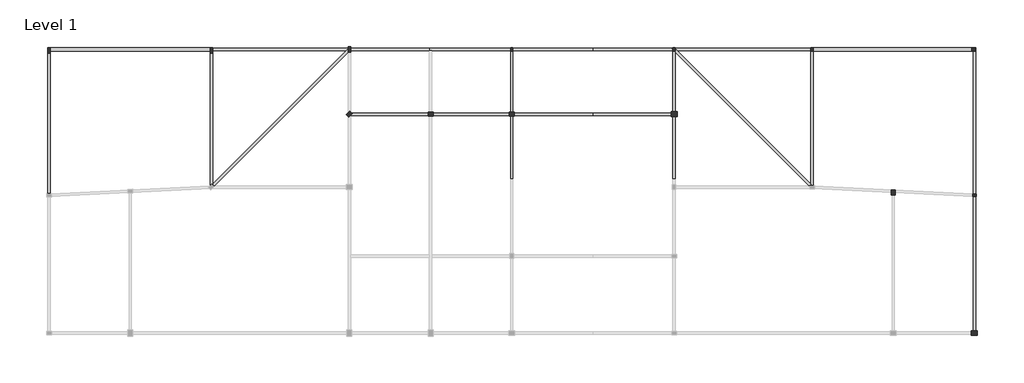
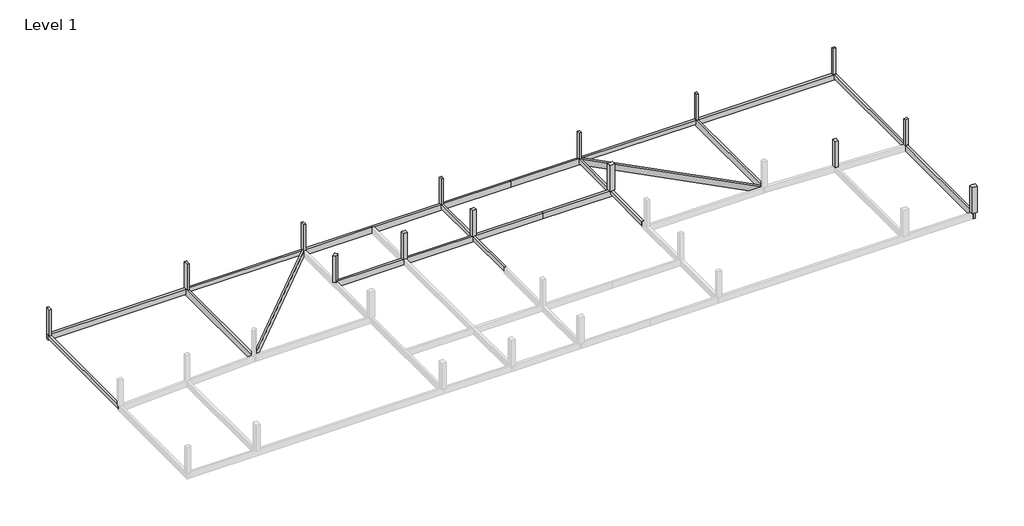
# One storey, part 2 of 2: 21 beams, 14 columns.
"""IFC4 building model written with IfcOpenShell, lengths in millimetres."""

from ifc_helpers import new_model, si_unit, frame, origin, place, context, project, spatial, polyline, outline, extrude, faceted_brep, element, save

model = new_model("IFC4")

# Units and contexts
model_context = context("Model", 3, world=origin())
ifc_project = project(units=[si_unit("LENGTHUNIT", "METRE", prefix="MILLI")], contexts=[model_context])

# Site, building, storey
site = spatial("IfcSite", under=ifc_project)
building = spatial("IfcBuilding", under=site)
storey = spatial("IfcBuildingStorey", under=building, Name="Level 1", Elevation=0.0)

# Beams
placement = place(None, origin())
element("IfcBeam", 1, ObjectType="M_Concrete-Rectangular Beam : 300 x 600mm", at=placement, inside=storey, context=model_context, shape_type="Brep", body=[
    faceted_brep([(-15172.6221164, 9758.1174774, 0.0), (-15472.6221164, 9758.1174774, 0.0), (-15472.6221164, 9458.1174774, 0.0), (-15472.6221164, -7899.1951396, 0.0), (-15172.6221164, -7884.1951396, 0.0), (-15172.6221164, 9458.1174774, 0.0), (-15472.6221164, 9758.1174774, -600.0), (-15472.6221164, -7899.1951396, -600.0), (-15172.6221164, 9758.1174774, -600.0), (-15172.6221164, -7884.1951396, -600.0)], [[[0, 1, 2, 3, 4, 5]], [[1, 6, 7, 3, 2]], [[6, 8, 9, 7]], [[8, 0, 5, 4, 9]], [[1, 0, 8, 6]], [[4, 3, 7, 9]]]),
])
element("IfcBeam", 2, ObjectType="M_Concrete-Rectangular Beam : 300 x 600mm", at=placement, inside=storey, context=model_context, shape_type="SweptSolid", body=[
    extrude(outline(polyline([(4827.3778836, 9808.1174774), (4827.3778836, 10108.1174774), (21527.3778836, 10108.1174774), (21527.3778836, 10020.2495118), (21315.2458493, 9808.1174774), (4827.3778836, 9808.1174774)])), frame((0.0, 0.0, -600.0), z_axis=(0.0, 0.0, 1.0), x_axis=(1.0, 0.0, 0.0)), (0.0, 0.0, 1.0), 600.0),
])
element("IfcBeam", 3, ObjectType="M_Concrete-Rectangular Beam : 300 x 600mm", at=placement, inside=storey, context=model_context, shape_type="Brep", body=[
    faceted_brep([(41527.3778836, -6041.8825226, 0.0), (41827.3778836, -6041.8825226, 0.0), (41827.3778836, 1808.1174774, 0.0), (41827.3778836, 2108.1174774, 0.0), (41827.3778836, 9733.1174774, 0.0), (41827.3778836, 9808.1174774, 0.0), (41527.3778836, 9808.1174774, 0.0), (41527.3778836, 9733.1174774, 0.0), (41527.3778836, 2108.1174774, 0.0), (41527.3778836, 1808.1174774, 0.0), (41827.3778836, -6041.8825226, -600.0), (41827.3778836, 1808.1174774, -600.0), (41827.3778836, 2108.1174774, -600.0), (41827.3778836, 9808.1174774, -600.0), (41527.3778836, -6041.8825226, -600.0), (41527.3778836, 1808.1174774, -600.0), (41527.3778836, 2108.1174774, -600.0), (41527.3778836, 9808.1174774, -600.0)], [[[0, 1, 2, 3, 4, 5, 6, 7, 8, 9]], [[1, 10, 11, 12, 13, 5, 4, 3, 2]], [[10, 14, 15, 16, 17, 13, 12, 11]], [[14, 0, 9, 8, 7, 6, 17, 16, 15]], [[6, 5, 13, 17]], [[0, 14, 10, 1]]]),
])
element("IfcBeam", 4, ObjectType="M_Concrete-Rectangular Beam : 300 x 600mm", at=placement, inside=storey, context=model_context, shape_type="SweptSolid", body=[
    extrude(outline(polyline([(98527.3778836, 9758.1174774), (98827.3778836, 9758.1174774), (98827.3778836, -7899.1951396), (98527.3778836, -7884.1951396), (98527.3778836, 9758.1174774)])), frame((0.0, 0.0, -600.0), z_axis=(0.0, 0.0, 1.0), x_axis=(1.0, 0.0, 0.0)), (0.0, 0.0, 1.0), 600.0),
])
element("IfcBeam", 5, ObjectType="M_Concrete-Rectangular Beam : 300 x 600mm", at=placement, inside=storey, context=model_context, shape_type="SweptSolid", body=[
    extrude(outline(polyline([(78527.3778836, 10108.1174774), (78527.3778836, 9808.1174774), (62039.509918, 9808.1174774), (61739.509918, 10108.1174774), (78527.3778836, 10108.1174774)])), frame((0.0, 0.0, -600.0), z_axis=(0.0, 0.0, 1.0), x_axis=(1.0, 0.0, 0.0)), (0.0, 0.0, 1.0), 600.0),
])
element("IfcBeam", 6, ObjectType="M_Concrete-Rectangular Beam : 300 x 600mm", at=placement, inside=storey, context=model_context, shape_type="Brep", body=[
    faceted_brep([(61527.3778836, -6041.8825226, 0.0), (61827.3778836, -6041.8825226, 0.0), (61827.3778836, 9595.9854431, 0.0), (61615.2458493, 9808.1174774, 0.0), (61527.3778836, 9808.1174774, 0.0), (61527.3778836, 9733.1174774, 0.0), (61527.3778836, 2108.1174774, 0.0), (61527.3778836, 1808.1174774, 0.0), (61827.3778836, -6041.8825226, -600.0), (61827.3778836, 9595.9854431, -600.0), (61527.3778836, -6041.8825226, -600.0), (61527.3778836, 1808.1174774, -600.0), (61527.3778836, 2108.1174774, -600.0), (61527.3778836, 9808.1174774, -600.0), (61615.2458493, 9808.1174774, -600.0)], [[[0, 1, 2, 3, 4, 5, 6, 7]], [[1, 8, 9, 2]], [[8, 10, 11, 12, 13, 14, 9]], [[10, 0, 7, 6, 5, 4, 13, 12, 11]], [[13, 4, 3, 14]], [[3, 2, 9, 14]], [[0, 10, 8, 1]]]),
])
element("IfcBeam", 7, ObjectType="M_Concrete-Rectangular Beam : 300 x 900mm", at=placement, inside=storey, context=model_context, shape_type="Brep", body=[
    faceted_brep([(4527.3778836, -7104.0145569, 0.0), (4827.3778836, -7104.0145569, 0.0), (4827.3778836, -6679.7504882, 0.0), (4827.3778836, 9458.1174774, 0.0), (4827.3778836, 9808.1174774, 0.0), (4827.3778836, 10108.1174774, 0.0), (4827.3778836, 10158.1174774, 0.0), (4527.3778836, 10158.1174774, 0.0), (4527.3778836, 9758.1174774, 0.0), (4527.3778836, 9458.1174774, 0.0), (4527.3778836, -6899.1951396, 0.0), (4527.3778836, -7104.0145569, -900.0), (4527.3778836, 10158.1174774, -800.0), (4527.3778836, 10158.1174774, -900.0), (4527.3778836, -6899.1951396, -900.0), (4827.3778836, -7104.0145569, -900.0), (4827.3778836, 10158.1174774, -900.0), (4827.3778836, -6679.7504882, -900.0)], [[[0, 1, 2, 3, 4, 5, 6, 7, 8, 9, 10]], [[11, 0, 10, 9, 8, 7, 12, 13, 14]], [[15, 11, 14, 13, 16, 17]], [[1, 15, 17, 16, 6, 5, 4, 3, 2]], [[1, 0, 11, 15]], [[7, 6, 16, 13, 12]]]),
])
element("IfcBeam", 8, ObjectType="M_Concrete-Rectangular Beam : 300 x 900mm", at=placement, inside=storey, context=model_context, shape_type="Brep", body=[
    faceted_brep([(21827.3778836, 9895.9854431, 0.0), (21615.2458493, 10108.1174774, 0.0), (21527.3778836, 10020.2495118, 0.0), (21315.2458493, 9808.1174774, 0.0), (4827.3778836, -6679.7504882, 0.0), (4827.3778836, -7104.0145569, 0.0), (5039.509918, -6891.8825226, 0.0), (21527.3778836, 9595.9854431, 0.0), (21827.3778836, 9895.9854431, -900.0), (4827.3778836, -7104.0145569, -900.0), (5039.509918, -6891.8825226, -900.0), (21527.3778836, 9595.9854431, -900.0), (21615.2458493, 10108.1174774, -900.0), (4827.3778836, -6679.7504882, -900.0), (21527.3778836, 10020.2495118, -900.0)], [[[0, 1, 2, 3, 4, 5, 6, 7]], [[8, 0, 7, 6, 5, 9, 10, 11]], [[12, 8, 11, 10, 9, 13, 14]], [[1, 12, 14, 13, 4, 3, 2]], [[5, 4, 13, 9]], [[1, 0, 8, 12]]]),
])
element("IfcBeam", 9, ObjectType="M_Concrete-Rectangular Beam : 300 x 900mm", at=placement, inside=storey, context=model_context, shape_type="Brep", body=[
    faceted_brep([(31527.3778836, 10108.1174774, 0.0), (31527.3778836, 9808.1174774, 0.0), (31827.3778836, 9808.1174774, 0.0), (41527.3778836, 9808.1174774, 0.0), (41827.3778836, 9808.1174774, 0.0), (41827.3778836, 10108.1174774, 0.0), (31527.3778836, 9808.1174774, -900.0), (31827.3778836, 9808.1174774, -900.0), (41827.3778836, 9808.1174774, -900.0), (41827.3778836, 9808.1174774, -600.0), (31527.3778836, 10108.1174774, -900.0), (41827.3778836, 10108.1174774, -900.0)], [[[0, 1, 2, 3, 4, 5]], [[1, 6, 7, 8, 9, 4, 3, 2]], [[6, 10, 11, 8, 7]], [[10, 0, 5, 11]], [[1, 0, 10, 6]], [[5, 4, 9, 8, 11]]]),
])
element("IfcBeam", 10, ObjectType="M_Concrete-Rectangular Beam : 300 x 900mm", at=placement, inside=storey, context=model_context, shape_type="SweptSolid", body=[
    extrude(outline(polyline([(-600.0, 41827.3778836), (-600.0, 41527.3778836), (0.0, 41527.3778836), (0.0, 31827.3778836), (-900.0, 31827.3778836), (-900.0, 41827.3778836), (-600.0, 41827.3778836)])), frame((0.0, 1808.1174774, 0.0), z_axis=(0.0, 1.0, 0.0), x_axis=(0.0, 0.0, 1.0)), (0.0, 0.0, 1.0), 300.0),
])
element("IfcBeam", 11, ObjectType="M_Concrete-Rectangular Beam : 300 x 900mm", at=placement, inside=storey, context=model_context, shape_type="Brep", body=[
    faceted_brep([(21527.3778836, 10108.1174774, 0.0), (21527.3778836, 10020.2495118, 0.0), (21615.2458493, 10108.1174774, 0.0), (31527.3778836, 9808.1174774, -900.0), (31527.3778836, 9808.1174774, 0.0), (21827.3778836, 9808.1174774, 0.0), (21827.3778836, 9808.1174774, -900.0), (21527.3778836, 10020.2495118, -900.0), (21527.3778836, 10108.1174774, -900.0), (21615.2458493, 10108.1174774, -900.0), (31527.3778836, 10108.1174774, 0.0), (31527.3778836, 10108.1174774, -900.0), (21527.3778836, 10108.1174774, -600.0), (21827.3778836, 9895.9854431, 0.0), (21827.3778836, 9895.9854431, -900.0), (21527.3778836, 10020.2495118, -600.0)], [[[0, 1, 2]], [[3, 4, 5, 6]], [[7, 8, 9]], [[10, 11, 9, 8, 12, 0, 2]], [[10, 4, 3, 11]], [[6, 5, 13, 14]], [[2, 9, 14, 13]], [[0, 12, 8, 7, 15, 1]], [[9, 2, 1, 15, 7]], [[4, 10, 2, 13, 5]], [[11, 3, 6, 14, 9]]]),
])
element("IfcBeam", 12, ObjectType="M_Concrete-Rectangular Beam : 300 x 900mm", at=placement, inside=storey, context=model_context, shape_type="SweptSolid", body=[
    extrude(outline(polyline([(31527.3778836, 2108.1174774), (31527.3778836, 1808.1174774), (21827.3778836, 1808.1174774), (21827.3778836, 2108.1174774), (31527.3778836, 2108.1174774)])), frame((0.0, 0.0, -900.0), z_axis=(0.0, 0.0, 1.0), x_axis=(1.0, 0.0, 0.0)), (0.0, 0.0, 1.0), 900.0),
])
element("IfcBeam", 13, ObjectType="M_Concrete-Rectangular Beam : 300 x 900mm", at=placement, inside=storey, context=model_context, shape_type="Brep", body=[
    faceted_brep([(78527.3778836, -7104.0145569, 0.0), (78827.3778836, -7104.0145569, 0.0), (78827.3778836, -6899.1951396, 0.0), (78827.3778836, 9733.1174774, 0.0), (78827.3778836, 9758.1174774, 0.0), (78827.3778836, 10158.1174774, 0.0), (78527.3778836, 10158.1174774, 0.0), (78527.3778836, 10108.1174774, 0.0), (78527.3778836, 9808.1174774, 0.0), (78527.3778836, 9733.1174774, 0.0), (78527.3778836, -6679.7504882, 0.0), (78827.3778836, -7104.0145569, -900.0), (78827.3778836, -6899.1951396, -900.0), (78827.3778836, 10158.1174774, -900.0), (78827.3778836, 10158.1174774, -800.0), (78527.3778836, -7104.0145569, -900.0), (78527.3778836, -6679.7504882, -900.0), (78527.3778836, 10158.1174774, -900.0)], [[[0, 1, 2, 3, 4, 5, 6, 7, 8, 9, 10]], [[1, 11, 12, 13, 14, 5, 4, 3, 2]], [[11, 15, 16, 17, 13, 12]], [[15, 0, 10, 9, 8, 7, 6, 17, 16]], [[6, 5, 14, 13, 17]], [[1, 0, 15, 11]]]),
])
element("IfcBeam", 14, ObjectType="M_Concrete-Rectangular Beam : 300 x 900mm", at=placement, inside=storey, context=model_context, shape_type="Brep", body=[
    faceted_brep([(61739.509918, 10108.1174774, 0.0), (61315.2458493, 10108.1174774, 0.0), (61615.2458493, 9808.1174774, 0.0), (61827.3778836, 9595.9854431, 0.0), (78315.2458493, -6891.8825226, 0.0), (78527.3778836, -7104.0145569, 0.0), (78527.3778836, -6679.7504882, 0.0), (62039.509918, 9808.1174774, 0.0), (61315.2458493, 10108.1174774, -900.0), (61615.2458493, 9808.1174774, -900.0), (78315.2458493, -6891.8825226, -900.0), (78527.3778836, -7104.0145569, -900.0), (61739.509918, 10108.1174774, -900.0), (78527.3778836, -6679.7504882, -900.0), (61739.509918, 10108.1174774, -600.0)], [[[0, 1, 2, 3, 4, 5, 6, 7]], [[1, 8, 9, 10, 11, 5, 4, 3, 2]], [[8, 12, 13, 11, 10, 9]], [[12, 14, 0, 7, 6, 13]], [[6, 5, 11, 13]], [[1, 0, 14, 12, 8]]]),
])
element("IfcBeam", 15, ObjectType="M_Concrete-Rectangular Beam : 300 x 900mm", at=placement, inside=storey, context=model_context, shape_type="Brep", body=[
    faceted_brep([(98527.3778836, -25191.8825226, 0.0), (98827.3778836, -25191.8825226, 0.0), (98827.3778836, -8199.5699055, 0.0), (98527.3778836, -8184.5699055, 0.0), (98527.3778836, -24891.8825226, 0.0), (98827.3778836, -25191.8825226, -900.0), (98827.3778836, -8199.5699055, -900.0), (98527.3778836, -25191.8825226, -900.0), (98527.3778836, -24891.8825226, -900.0), (98527.3778836, -8184.5699055, -900.0)], [[[0, 1, 2, 3, 4]], [[1, 5, 6, 2]], [[5, 7, 8, 9, 6]], [[7, 0, 4, 3, 9, 8]], [[3, 2, 6, 9]], [[1, 0, 7, 5]]]),
])
element("IfcBeam", 16, ObjectType="M_Concrete-Rectangular Beam : 300 x 900mm", at=placement, inside=storey, context=model_context, shape_type="SweptSolid", body=[
    extrude(outline(polyline([(51677.3778836, 10108.1174774), (51677.3778836, 9808.1174774), (41827.3778836, 9808.1174774), (41827.3778836, 10108.1174774), (51677.3778836, 10108.1174774)])), frame((0.0, 0.0, -900.0), z_axis=(0.0, 0.0, 1.0), x_axis=(1.0, 0.0, 0.0)), (0.0, 0.0, 1.0), 900.0),
])
element("IfcBeam", 17, ObjectType="M_Concrete-Rectangular Beam : 300 x 900mm", at=placement, inside=storey, context=model_context, shape_type="Brep", body=[
    faceted_brep([(41827.3778836, 2108.1174774, 0.0), (41827.3778836, 1808.1174774, 0.0), (51677.3778836, 1808.1174774, 0.0), (51677.3778836, 2108.1174774, 0.0), (41827.3778836, 1808.1174774, -600.0), (41827.3778836, 1808.1174774, -900.0), (51677.3778836, 1808.1174774, -900.0), (51677.3778836, 2108.1174774, -900.0), (41827.3778836, 2108.1174774, -900.0), (41827.3778836, 2108.1174774, -600.0)], [[[0, 1, 2, 3]], [[1, 4, 5, 6, 2]], [[7, 6, 5, 8]], [[8, 9, 0, 3, 7]], [[1, 0, 9, 8, 5, 4]], [[3, 2, 6, 7]]]),
])
element("IfcBeam", 18, ObjectType="M_Concrete-Rectangular Beam : 300 x 900mm", at=placement, inside=storey, context=model_context, shape_type="Brep", body=[
    faceted_brep([(51677.3778836, 10108.1174774, 0.0), (51677.3778836, 9808.1174774, 0.0), (61527.3778836, 9808.1174774, 0.0), (61615.2458493, 9808.1174774, 0.0), (61315.2458493, 10108.1174774, 0.0), (51677.3778836, 9808.1174774, -900.0), (61615.2458493, 9808.1174774, -900.0), (61615.2458493, 9808.1174774, -600.0), (51677.3778836, 10108.1174774, -900.0), (61315.2458493, 10108.1174774, -900.0)], [[[0, 1, 2, 3, 4]], [[1, 5, 6, 7, 3, 2]], [[5, 8, 9, 6]], [[8, 0, 4, 9]], [[4, 3, 7, 6, 9]], [[0, 8, 5, 1]]]),
])
element("IfcBeam", 19, ObjectType="M_Concrete-Rectangular Beam : 300 x 900mm", at=placement, inside=storey, context=model_context, shape_type="SweptSolid", body=[
    extrude(outline(polyline([(-900.0, 51677.3778836), (-900.0, 61677.3778836), (-600.0, 61677.3778836), (-600.0, 61527.3778836), (0.0, 61527.3778836), (0.0, 51677.3778836), (-900.0, 51677.3778836)])), frame((0.0, 1808.1174774, 0.0), z_axis=(0.0, 1.0, 0.0), x_axis=(0.0, 0.0, 1.0)), (0.0, 0.0, 1.0), 300.0),
])
element("IfcBeam", 20, ObjectType="M_Concrete-Rectangular Beam : 400 x 800mm", at=placement, inside=storey, context=model_context, shape_type="Brep", body=[
    faceted_brep([(-15472.6221164, 10158.1174774, 0.0), (-15472.6221164, 9758.1174774, 0.0), (-15172.6221164, 9758.1174774, 0.0), (4527.3778836, 9758.1174774, 0.0), (4527.3778836, 10158.1174774, 0.0), (-15172.6221164, 10158.1174774, 0.0), (-15472.6221164, 9758.1174774, -600.0), (-15472.6221164, 9758.1174774, -800.0), (4527.3778836, 9758.1174774, -800.0), (-15472.6221164, 10158.1174774, -800.0), (4527.3778836, 10158.1174774, -800.0)], [[[0, 1, 2, 3, 4, 5]], [[1, 6, 7, 8, 3, 2]], [[7, 9, 10, 8]], [[9, 0, 5, 4, 10]], [[4, 3, 8, 10]], [[1, 0, 9, 7, 6]]]),
])
element("IfcBeam", 21, ObjectType="M_Concrete-Rectangular Beam : 400 x 800mm", at=placement, inside=storey, context=model_context, shape_type="Brep", body=[
    faceted_brep([(98827.3778836, 9758.1174774, 0.0), (98827.3778836, 10158.1174774, 0.0), (78827.3778836, 10158.1174774, 0.0), (78827.3778836, 9758.1174774, 0.0), (98527.3778836, 9758.1174774, 0.0), (98827.3778836, 9758.1174774, -800.0), (98827.3778836, 9758.1174774, -600.0), (78827.3778836, 9758.1174774, -800.0), (98827.3778836, 10158.1174774, -800.0), (78827.3778836, 10158.1174774, -800.0)], [[[0, 1, 2, 3, 4]], [[5, 6, 0, 4, 3, 7]], [[8, 5, 7, 9]], [[1, 8, 9, 2]], [[3, 2, 9, 7]], [[1, 0, 6, 5, 8]]]),
])

# Columns
element("IfcColumn", 22, ObjectType="M_Concrete-Rectangular-Column : 300 x 450mm", at=placement, inside=storey, context=model_context, shape_type="Brep", body=[
    faceted_brep([(41827.3778836, 10183.1174774, 0.0), (41827.3778836, 10108.1174774, 0.0), (41827.3778836, 9808.1174774, 0.0), (41827.3778836, 9733.1174774, 0.0), (41527.3778836, 9733.1174774, 0.0), (41527.3778836, 9808.1174774, 0.0), (41527.3778836, 10183.1174774, 0.0), (41827.3778836, 10183.1174774, 4000.0), (41827.3778836, 10108.1174774, 4000.0), (41827.3778836, 9808.1174774, 4000.0), (41827.3778836, 9733.1174774, 4000.0), (41827.3778836, 9733.1174774, 3400.0), (41527.3778836, 9733.1174774, 4000.0), (41527.3778836, 9733.1174774, 3400.0), (41527.3778836, 9808.1174774, 4000.0), (41527.3778836, 10108.1174774, 4000.0), (41527.3778836, 10183.1174774, 4000.0)], [[[0, 1, 2, 3, 4, 5, 6]], [[7, 8, 9, 10, 11, 3, 2, 1, 0]], [[10, 12, 13, 4, 3, 11]], [[12, 14, 15, 16, 6, 5, 4, 13]], [[16, 7, 0, 6]], [[7, 16, 15, 14, 12, 10, 9, 8]]]),
])
element("IfcColumn", 23, ObjectType="M_Concrete-Rectangular-Column : 300 x 450mm", at=placement, inside=storey, context=model_context, shape_type="Brep", body=[
    faceted_brep([(61827.3778836, 10183.1174774, 0.0), (61827.3778836, 9733.1174774, 0.0), (61527.3778836, 9733.1174774, 0.0), (61527.3778836, 9808.1174774, 0.0), (61527.3778836, 10183.1174774, 0.0), (61827.3778836, 10183.1174774, 4000.0), (61827.3778836, 10108.1174774, 4000.0), (61827.3778836, 10020.2495118, 4000.0), (61827.3778836, 9733.1174774, 4000.0), (61827.3778836, 9733.1174774, 3100.0), (61690.2458493, 9733.1174774, 4000.0), (61527.3778836, 9733.1174774, 4000.0), (61527.3778836, 9733.1174774, 3400.0), (61527.3778836, 9808.1174774, 4000.0), (61527.3778836, 9895.9854431, 4000.0), (61527.3778836, 10108.1174774, 4000.0), (61527.3778836, 10183.1174774, 4000.0)], [[[0, 1, 2, 3, 4]], [[5, 6, 7, 8, 9, 1, 0]], [[8, 10, 11, 12, 2, 1, 9]], [[11, 13, 14, 15, 16, 4, 3, 2, 12]], [[16, 5, 0, 4]], [[5, 16, 15, 14, 13, 11, 10, 8, 7, 6]]]),
])
element("IfcColumn", 24, ObjectType="M_Concrete-Rectangular-Column : 300 x 450mm", at=placement, inside=storey, context=model_context, shape_type="Brep", body=[
    faceted_brep([(78827.3778836, 10183.1174774, 0.0), (78827.3778836, 10158.1174774, 0.0), (78827.3778836, 9733.1174774, 0.0), (78527.3778836, 9733.1174774, 0.0), (78527.3778836, 10158.1174774, 0.0), (78527.3778836, 10183.1174774, 0.0), (78827.3778836, 10183.1174774, 4000.0), (78827.3778836, 10158.1174774, 4000.0), (78827.3778836, 9758.1174774, 4000.0), (78827.3778836, 9733.1174774, 4000.0), (78827.3778836, 9733.1174774, 3100.0), (78527.3778836, 9733.1174774, 4000.0), (78527.3778836, 9733.1174774, 3100.0), (78527.3778836, 9808.1174774, 4000.0), (78527.3778836, 10108.1174774, 4000.0), (78527.3778836, 10183.1174774, 4000.0)], [[[0, 1, 2, 3, 4, 5]], [[6, 7, 8, 9, 10, 2, 1, 0]], [[9, 11, 12, 3, 2, 10]], [[11, 13, 14, 15, 5, 4, 3, 12]], [[15, 6, 0, 5]], [[6, 15, 14, 13, 11, 9, 8, 7]]]),
])
element("IfcColumn", 25, ObjectType="M_Concrete-Rectangular-Column : 300 x 450mm", at=placement, inside=storey, context=model_context, shape_type="Brep", body=[
    faceted_brep([(98352.3778836, 10108.1174774, 0.0), (98802.3778836, 10108.1174774, 0.0), (98802.3778836, 9808.1174774, 0.0), (98352.3778836, 9808.1174774, 0.0), (98352.3778836, 10108.1174774, 4000.0), (98802.3778836, 10108.1174774, 4000.0), (98802.3778836, 10108.1174774, 3200.0), (98352.3778836, 10108.1174774, 3200.0), (98802.3778836, 9808.1174774, 4000.0), (98802.3778836, 9808.1174774, 3200.0), (98352.3778836, 9808.1174774, 4000.0), (98352.3778836, 9808.1174774, 3200.0)], [[[0, 1, 2, 3]], [[4, 5, 6, 1, 0, 7]], [[5, 8, 9, 2, 1, 6]], [[8, 10, 11, 3, 2, 9]], [[10, 4, 7, 0, 3, 11]], [[4, 10, 8, 5]]]),
])
element("IfcColumn", 26, ObjectType="M_Concrete-Rectangular-Column : 300 x 450mm", at=placement, inside=storey, context=model_context, shape_type="Brep", body=[
    faceted_brep([(98452.3778836, -7891.8825226, 0.0), (98902.3778836, -7891.8825226, 0.0), (98902.3778836, -8191.8825226, 0.0), (98452.3778836, -8191.8825226, 0.0), (98452.3778836, -7891.8825226, 4000.0), (98681.1255428, -7891.8825226, 4000.0), (98827.3778836, -7891.8825226, 4000.0), (98902.3778836, -7891.8825226, 4000.0), (98452.3778836, -7891.8825226, 3100.0), (98902.3778836, -8191.8825226, 4000.0), (98827.3778836, -8191.8825226, 4000.0), (98673.6302244, -8191.8825226, 4000.0), (98527.3778836, -8191.8825226, 4000.0), (98452.3778836, -8191.8825226, 4000.0), (98452.3778836, -8180.8199055, 4000.0)], [[[0, 1, 2, 3]], [[4, 5, 6, 7, 1, 0, 8]], [[7, 9, 2, 1]], [[9, 10, 11, 12, 13, 3, 2]], [[13, 14, 4, 8, 0, 3]], [[4, 14, 13, 12, 11, 10, 9, 7, 6, 5]]]),
])
element("IfcColumn", 27, ObjectType="M_Concrete-Rectangular-Column : 300 x 700mm", at=placement, inside=storey, context=model_context, shape_type="Brep", body=[
    faceted_brep([(-15172.6221164, 10158.1174774, 0.0), (-15172.6221164, 9758.1174774, 0.0), (-15172.6221164, 9458.1174774, 0.0), (-15472.6221164, 9458.1174774, 0.0), (-15472.6221164, 9758.1174774, 0.0), (-15472.6221164, 10158.1174774, 0.0), (-15172.6221164, 10158.1174774, 4000.0), (-15172.6221164, 9758.1174774, 4000.0), (-15172.6221164, 9458.1174774, 4000.0), (-15172.6221164, 9458.1174774, 3400.0), (-15172.6221164, 10158.1174774, 3200.0), (-15472.6221164, 9458.1174774, 4000.0), (-15472.6221164, 9458.1174774, 3400.0), (-15472.6221164, 10158.1174774, 4000.0)], [[[0, 1, 2, 3, 4, 5]], [[6, 7, 8, 9, 2, 1, 0, 10]], [[8, 11, 12, 3, 2, 9]], [[11, 13, 5, 4, 3, 12]], [[13, 6, 10, 0, 5]], [[6, 13, 11, 8, 7]]]),
])
element("IfcColumn", 28, ObjectType="M_Concrete-Rectangular-Column : 300 x 700mm", at=placement, inside=storey, context=model_context, shape_type="Brep", body=[
    faceted_brep([(4827.3778836, 10158.1174774, 0.0), (4827.3778836, 9458.1174774, 0.0), (4527.3778836, 9458.1174774, 0.0), (4527.3778836, 10158.1174774, 0.0), (4827.3778836, 10158.1174774, 4000.0), (4827.3778836, 10108.1174774, 4000.0), (4827.3778836, 9808.1174774, 4000.0), (4827.3778836, 9458.1174774, 4000.0), (4827.3778836, 9458.1174774, 3100.0), (4527.3778836, 9458.1174774, 4000.0), (4527.3778836, 9458.1174774, 3100.0), (4527.3778836, 9758.1174774, 4000.0), (4527.3778836, 10158.1174774, 4000.0), (4527.3778836, 10158.1174774, 3200.0)], [[[0, 1, 2, 3]], [[4, 5, 6, 7, 8, 1, 0]], [[7, 9, 10, 2, 1, 8]], [[9, 11, 12, 13, 3, 2, 10]], [[12, 4, 0, 3, 13]], [[4, 12, 11, 9, 7, 6, 5]]]),
])
element("IfcColumn", 29, ObjectType="M_Concrete-Rectangular-Column : 300 x 700mm", at=placement, inside=storey, context=model_context, shape_type="Brep", body=[
    faceted_brep([(21827.3778836, 10308.1174774, 0.0), (21827.3778836, 9895.9854431, 0.0), (21827.3778836, 9608.1174774, 0.0), (21527.3778836, 9608.1174774, 0.0), (21527.3778836, 10020.2495118, 0.0), (21527.3778836, 10108.1174774, 0.0), (21527.3778836, 10308.1174774, 0.0), (21827.3778836, 10308.1174774, 4000.0), (21827.3778836, 10108.1174774, 4000.0), (21827.3778836, 9808.1174774, 4000.0), (21827.3778836, 9608.1174774, 4000.0), (21827.3778836, 9608.1174774, 3100.0), (21539.509918, 9608.1174774, 4000.0), (21527.3778836, 9608.1174774, 4000.0), (21527.3778836, 9608.1174774, 3100.0), (21527.3778836, 10020.2495118, 4000.0), (21527.3778836, 10108.1174774, 4000.0), (21527.3778836, 10308.1174774, 4000.0)], [[[0, 1, 2, 3, 4, 5, 6]], [[7, 8, 9, 10, 11, 2, 1, 0]], [[10, 12, 13, 14, 3, 2, 11]], [[13, 15, 16, 17, 6, 5, 4, 3, 14]], [[17, 7, 0, 6]], [[7, 17, 16, 15, 13, 12, 10, 9, 8]]]),
])
element("IfcColumn", 30, ObjectType="M_Concrete-Rectangular-Column : 450 x 600mm", at=placement, inside=storey, context=model_context, shape_type="Brep", body=[
    faceted_brep([(88902.3778836, -7392.0699055, 0.0), (88902.3778836, -7992.0699055, 0.0), (88452.3778836, -7992.0699055, 0.0), (88452.3778836, -7392.0699055, 0.0), (88902.3778836, -7392.0699055, 4000.0), (88902.3778836, -7402.9451396, 4000.0), (88902.3778836, -7703.3199055, 4000.0), (88902.3778836, -7992.0699055, 4000.0), (88827.3778836, -7992.0699055, 4000.0), (88527.3778836, -7992.0699055, 4000.0), (88452.3778836, -7992.0699055, 4000.0), (88452.3778836, -7680.8199055, 4000.0), (88452.3778836, -7392.0699055, 4000.0), (88452.3778836, -7392.0699055, 3100.0), (88684.873202, -7392.0699055, 4000.0)], [[[0, 1, 2, 3]], [[4, 5, 6, 7, 1, 0]], [[7, 8, 9, 10, 2, 1]], [[10, 11, 12, 13, 3, 2]], [[12, 14, 4, 0, 3, 13]], [[4, 14, 12, 11, 10, 9, 8, 7, 6, 5]]]),
])
element("IfcColumn", 31, ObjectType="M_Concrete-Rectangular-Column : 450 x 600mm", at=placement, inside=storey, context=model_context, shape_type="Brep", body=[
    faceted_brep([(41977.3778836, 1733.1174774, 0.0), (41377.3778836, 1733.1174774, 0.0), (41377.3778836, 2183.1174774, 0.0), (41977.3778836, 2183.1174774, 0.0), (41977.3778836, 1733.1174774, 4000.0), (41827.3778836, 1733.1174774, 4000.0), (41527.3778836, 1733.1174774, 4000.0), (41377.3778836, 1733.1174774, 4000.0), (41377.3778836, 2183.1174774, 4000.0), (41527.3778836, 2183.1174774, 4000.0), (41827.3778836, 2183.1174774, 4000.0), (41977.3778836, 2183.1174774, 4000.0)], [[[0, 1, 2, 3]], [[4, 5, 6, 7, 1, 0]], [[7, 8, 2, 1]], [[8, 9, 10, 11, 3, 2]], [[11, 4, 0, 3]], [[4, 11, 10, 9, 8, 7, 6, 5]]]),
])
element("IfcColumn", 32, ObjectType="M_Concrete-Rectangular-Column : 450 x 600mm", at=placement, inside=storey, context=model_context, shape_type="Brep", body=[
    faceted_brep([(31977.3778836, 1733.1174774, 0.0), (31377.3778836, 1733.1174774, 0.0), (31377.3778836, 2183.1174774, 0.0), (31977.3778836, 2183.1174774, 0.0), (31977.3778836, 1733.1174774, 4000.0), (31827.3778836, 1733.1174774, 4000.0), (31527.3778836, 1733.1174774, 4000.0), (31377.3778836, 1733.1174774, 4000.0), (31377.3778836, 2183.1174774, 4000.0), (31527.3778836, 2183.1174774, 4000.0), (31827.3778836, 2183.1174774, 4000.0), (31977.3778836, 2183.1174774, 4000.0)], [[[0, 1, 2, 3]], [[4, 5, 6, 7, 1, 0]], [[7, 8, 2, 1]], [[8, 9, 10, 11, 3, 2]], [[11, 4, 0, 3]], [[4, 11, 10, 9, 8, 7, 6, 5]]]),
])
element("IfcColumn", 33, ObjectType="M_Concrete-Rectangular-Column : 450 x 600mm", at=placement, inside=storey, context=model_context, shape_type="Brep", body=[
    faceted_brep([(22048.6089437, 2011.150486, 0.0), (21624.344875, 1586.8864173, 0.0), (21306.1468235, 1905.0844688, 0.0), (21730.4108922, 2329.3485375, 0.0), (22048.6089437, 2011.150486, 4000.0), (21845.5759351, 1808.1174774, 4000.0), (21827.3778836, 1789.9194259, 4000.0), (21624.344875, 1586.8864173, 4000.0), (21624.344875, 1586.8864173, 3100.0), (22048.6089437, 2011.150486, 3100.0), (21527.3778836, 1683.8534087, 4000.0), (21306.1468235, 1905.0844688, 4000.0), (21527.3778836, 2126.315529, 4000.0), (21730.4108922, 2329.3485375, 4000.0), (21730.4108922, 2329.3485375, 3100.0), (21827.3778836, 2232.3815461, 4000.0), (21951.6419523, 2108.1174774, 4000.0)], [[[0, 1, 2, 3]], [[4, 5, 6, 7, 8, 1, 0, 9]], [[7, 10, 11, 2, 1, 8]], [[11, 12, 13, 14, 3, 2]], [[13, 15, 16, 4, 9, 0, 3, 14]], [[4, 16, 15, 13, 12, 11, 10, 7, 6, 5]]]),
])
element("IfcColumn", 34, ObjectType="M_Concrete-Rectangular-Column : 600 x 750mm", at=placement, inside=storey, context=model_context, shape_type="Brep", body=[
    faceted_brep([(98302.3778836, -24741.8825226, 0.0), (99052.3778836, -24741.8825226, 0.0), (99052.3778836, -25341.8825226, 0.0), (98302.3778836, -25341.8825226, 0.0), (98302.3778836, -24741.8825226, 4000.0), (98527.3778836, -24741.8825226, 4000.0), (98827.3778836, -24741.8825226, 4000.0), (99052.3778836, -24741.8825226, 4000.0), (99052.3778836, -25341.8825226, 4000.0), (98302.3778836, -25341.8825226, 4000.0), (98302.3778836, -25191.8825226, 4000.0), (98302.3778836, -24891.8825226, 4000.0)], [[[0, 1, 2, 3]], [[4, 5, 6, 7, 1, 0]], [[7, 8, 2, 1]], [[8, 9, 3, 2]], [[9, 10, 11, 4, 0, 3]], [[4, 11, 10, 9, 8, 7, 6, 5]]]),
])
element("IfcColumn", 35, ObjectType="M_Concrete-Rectangular-Column : 600 x 750mm", at=placement, inside=storey, context=model_context, shape_type="Brep", body=[
    faceted_brep([(61302.3778836, 2258.1174774, 0.0), (62052.3778836, 2258.1174774, 0.0), (62052.3778836, 1658.1174774, 0.0), (61302.3778836, 1658.1174774, 0.0), (61302.3778836, 2258.1174774, 4000.0), (61527.3778836, 2258.1174774, 4000.0), (61827.3778836, 2258.1174774, 4000.0), (62052.3778836, 2258.1174774, 4000.0), (62052.3778836, 1658.1174774, 4000.0), (61827.3778836, 1658.1174774, 4000.0), (61527.3778836, 1658.1174774, 4000.0), (61302.3778836, 1658.1174774, 4000.0), (61302.3778836, 1808.1174774, 4000.0), (61302.3778836, 2108.1174774, 4000.0)], [[[0, 1, 2, 3]], [[4, 5, 6, 7, 1, 0]], [[7, 8, 2, 1]], [[8, 9, 10, 11, 3, 2]], [[11, 12, 13, 4, 0, 3]], [[4, 13, 12, 11, 10, 9, 8, 7, 6, 5]]]),
])

save(model, "model.ifc")
